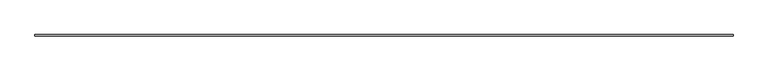
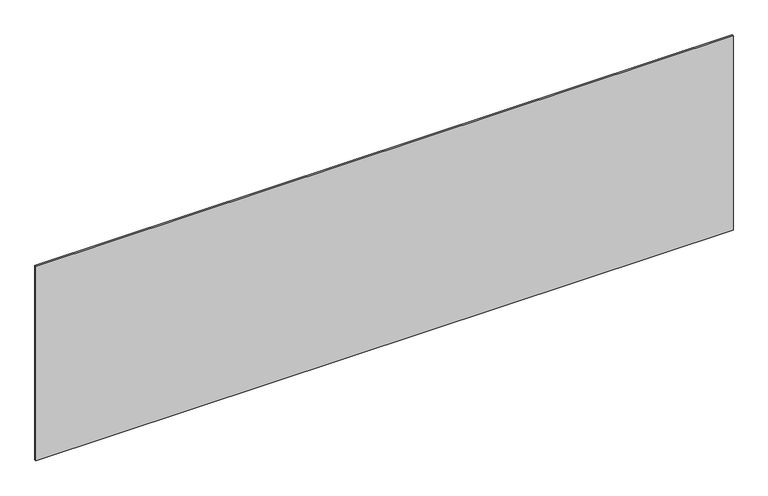
"""IFC4 building model written with IfcOpenShell, lengths in millimetres: plate geometry."""

from ifc_helpers import new_model, si_unit, origin, origin_with_axes, place, context, project, spatial, polyline, outline, extrude, source, transform, mapped, element, save


def plate_91c24c65(model_context):
    return source(origin(), model_context, "Body", "SweptSolid", [
        extrude(outline(polyline([(2206.6666667, -5.0), (-2206.6666667, -5.0), (-2206.6666667, 5.0), (2206.6666667, 5.0), (2206.6666667, -5.0)])), origin_with_axes(), (0.0, 0.0, 1.0), 1302.0081059),
    ])


if __name__ == "__main__":
    model = new_model("IFC4")
    model_context = context("Model", 3, world=origin())
    ifc_project = project(units=[si_unit("LENGTHUNIT", "METRE", prefix="MILLI")], contexts=[model_context])
    site = spatial("IfcSite", under=ifc_project)
    building = spatial("IfcBuilding", under=site)
    placement = place(None, origin())
    plate_shape = plate_91c24c65(model_context)
    element("IfcPlate", 1, at=placement, inside=building, context=model_context, shape_type="MappedRepresentation", body=[
        mapped(plate_shape, transform((0.0, 0.0, 0.0), x_axis=(1.0, 0.0, 0.0), y_axis=(0.0, 1.0, 0.0), z_axis=(0.0, 0.0, 1.0))),
    ])
    save(model, "model.ifc")
